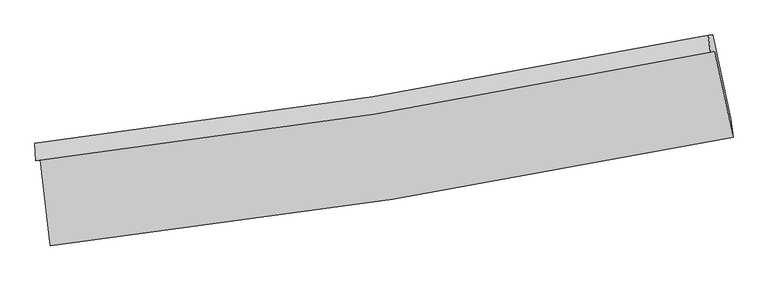
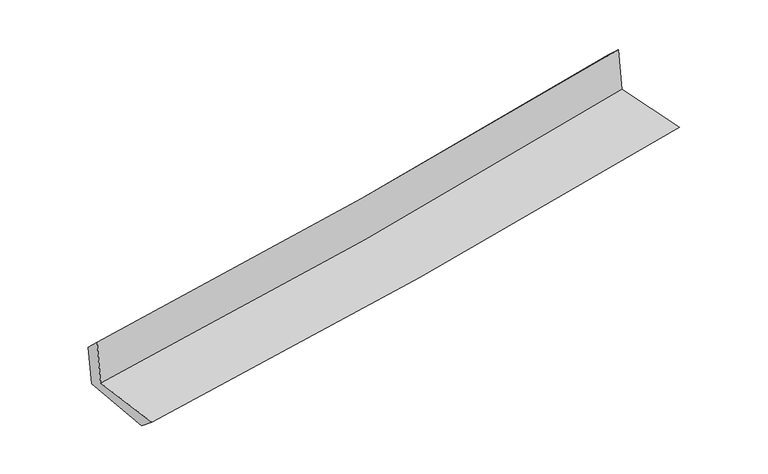
"""IFC4 building model written with IfcOpenShell, lengths in millimetres: proxy geometry."""

from ifc_helpers import new_model, si_unit, frame, origin, place, context, project, spatial, source, transform, mapped, element, save
from ifc_brep_helpers import plane_surface, spline_curve, spline_surface, advanced_brep


def generic_models_7bd04662(model_context):
    return source(origin(), model_context, "Body", "AdvancedBrep", [
        advanced_brep(
        [(-2613.114678, -1891.4515656, 1649.0129002), (-2534.061626, -2549.7660637, 1648.8094175), (2694.5984765, -1720.7812025, 2120.3850422), (2555.5065599, -1062.3193144, 2128.6990467), (-2647.898405, -1898.9090207, 2051.9463932), (2521.1889892, -1069.5337492, 2521.1804435), (-2652.5750527, -1765.8179116, 1924.3116979), (2504.5617176, -938.3141687, 2401.3548682), (-2620.9855894, -1764.0954039, 1565.2275597), (2539.1792516, -936.3324764, 2017.6288288), (-2540.6267083, -2406.8136577, 1529.1310698), (2677.218997, -1579.6754797, 1986.0497942)],
        [
            (0, 1),
            (1, 2, spline_curve(3, [(-2534.061626, -2549.7660637, 1648.8094175), (-1657.005313337, -2450.402092705, 1732.999251876), (-782.956956975, -2331.679218951, 1814.375150896), (959.935350959, -2055.387020328, 1971.572271518), (1828.77369567, -1897.781607212, 2047.388247313), (2694.5984765, -1720.7812025, 2120.3850422)], [4, 2, 4], [0.0, 8.6693824833574, 17.34684183667436])),
            (2, 3),
            (3, 0, spline_curve(3, [(2555.5065599, -1062.3193144, 2128.6990467), (1699.60304896, -1238.852195536, 2049.889247824), (840.730928556, -1396.236249653, 1970.491617221), (-882.148341251, -1672.578036537, 1810.595141241), (-1746.149966663, -1791.571399343, 1730.097389801), (-2613.114678, -1891.4515656, 1649.0129002)], [4, 2, 4], [0.0, 8.677459353316962, 17.34684183667436])),
            (4, 0),
            (3, 5),
            (5, 4, spline_curve(3, [(2521.1889892, -1069.5337492, 2521.1804435), (1664.635685982, -1246.267072702, 2450.721725736), (805.399938105, -1403.77157212, 2376.369510728), (-917.634184698, -1680.194216622, 2219.950916197), (-1781.427568092, -1799.148141217, 2137.891780959), (-2647.898405, -1898.9090207, 2051.9463932)], [4, 2, 4], [0.0, 8.629262343675862, 17.25049267856217])),
            (6, 4),
            (5, 7),
            (7, 6, spline_curve(3, [(2504.5617176, -938.3141687, 2401.3548682), (1650.253251016, -1114.559030676, 2325.292800928), (793.136211589, -1271.663306894, 2247.488849218), (-925.914604252, -1547.46227304, 2088.471218045), (-1787.843155312, -1666.192577519, 2007.260779476), (-2652.5750527, -1765.8179116, 1924.3116979)], [4, 2, 4], [0.0, 8.619606964962731, 17.2311909082409])),
            (8, 6),
            (7, 9),
            (9, 8, spline_curve(3, [(2539.1792516, -936.3324764, 2017.6288288), (1683.904862566, -1112.652450222, 1950.843757547), (826.05251252, -1269.815883524, 1879.731548864), (-894.007231215, -1545.701214796, 1728.923074131), (-1756.209828189, -1664.458757153, 1649.234859832), (-2620.9855894, -1764.0954039, 1565.2275597)], [4, 2, 4], [0.0, 8.610963400353947, 17.213911824344493])),
            (10, 8),
            (9, 11),
            (11, 10, spline_curve(3, [(2677.218997, -1579.6754797, 1986.0497942), (1812.780619889, -1756.237927629, 1918.539347715), (945.537193346, -1913.470430918, 1846.687814863), (-793.749927774, -2189.147189517, 1694.373495868), (-1665.788403211, -2307.627412317, 1613.918787262), (-2540.6267083, -2406.8136577, 1529.1310698)], [4, 2, 4], [0.0, 8.658550033479845, 17.309040797557056])),
            (1, 10),
            (11, 2),
        ],
        [
            spline_surface(3, 3, [[(-2613.114678, -1891.4515656, 1649.0129002), (-1746.149966635, -1791.571399322, 1730.097389819), (-882.148341189, -1672.578036446, 1810.595141257), (840.730928494, -1396.236249744, 1970.491617205), (1699.603049016, -1238.852195593, 2049.889247939), (2555.5065599, -1062.3193144, 2128.6990467)], [(-2586.763660658, -2110.889731628, 1648.945072643), (-1716.435082182, -2011.181630492, 1731.064677158), (-849.084546495, -1892.278430601, 1811.8551445), (880.465736021, -1615.953173247, 1970.85183532), (1742.659931253, -1458.495332781, 2049.05558106), (2601.870532095, -1281.806610435, 2125.927711871)], [(-2560.412643342, -2330.327897672, 1648.877245057), (-1686.720197755, -2230.791861678, 1732.031964468), (-816.020751793, -2111.978824813, 1813.115147681), (920.200543556, -1835.670096809, 1971.212053374), (1785.716813505, -1678.138469964, 2048.221914168), (2648.234504305, -1501.293906465, 2123.156377029)], [(-2534.061626, -2549.7660637, 1648.8094175), (-1657.005313302, -2450.402092848, 1732.999251808), (-782.956957099, -2331.679218967, 1814.375150924), (959.935351084, -2055.387020312, 1971.57227149), (1828.773695743, -1897.781607152, 2047.388247289), (2694.5984765, -1720.7812025, 2120.3850422)]], [4, 4], [4, 2, 4], [0.0, 2.191982146084679], [0.0, 8.6693824833574, 17.34684183667436]),
            spline_surface(3, 3, [[(-2647.898405, -1898.9090207, 2051.9463932), (-1781.427568035, -1799.14814126, 2137.891780983), (-917.634184622, -1680.194216673, 2219.950916083), (805.399938028, -1403.771572069, 2376.369510841), (1664.63568601, -1246.267072836, 2450.721725852), (2521.1889892, -1069.5337492, 2521.1804435)], [(-2636.303829327, -1896.423202344, 1917.635228844), (-1769.668367562, -1796.622560624, 2001.960317239), (-905.805570155, -1677.655489918, 2083.498991133), (817.176934839, -1401.259797948, 2241.076879621), (1676.291473682, -1243.795447084, 2317.110899862), (2532.628179436, -1067.128937596, 2390.353311214)], [(-2624.709253673, -1893.937383956, 1783.324064556), (-1757.909167108, -1794.096979958, 1866.028853562), (-893.976955656, -1675.116763201, 1947.047066207), (828.953931683, -1398.748023865, 2105.784248425), (1687.947261344, -1241.323821345, 2183.500073929), (2544.067369664, -1064.724126004, 2259.526178986)], [(-2613.114678, -1891.4515656, 1649.0129002), (-1746.149966635, -1791.571399322, 1730.097389819), (-882.148341189, -1672.578036446, 1810.595141257), (840.730928494, -1396.236249744, 1970.491617205), (1699.603049016, -1238.852195593, 2049.889247939), (2555.5065599, -1062.3193144, 2128.6990467)]], [4, 4], [4, 2, 4], [0.0, 1.3425864867438138], [0.0, 8.62123033488631, 17.25049267856217]),
            spline_surface(3, 3, [[(-2652.5750527, -1765.8179116, 1924.3116979), (-1787.843155204, -1666.192577655, 2007.260779441), (-925.914604345, -1547.462272934, 2088.471218024), (793.136211682, -1271.663306999, 2247.488849239), (1650.253250939, -1114.55903079, 2325.292800803), (2504.5617176, -938.3141687, 2401.3548682)], [(-2651.016170164, -1810.181614634, 1966.856596329), (-1785.704626179, -1710.511098858, 2050.804446617), (-923.154464411, -1591.706254198, 2132.297784047), (797.22412049, -1315.699395374, 2290.449069777), (1655.047395943, -1158.461711485, 2367.102442499), (2510.104141447, -982.05402888, 2441.296726646)], [(-2649.457287536, -1854.545317666, 2009.401494771), (-1783.566097061, -1754.829620057, 2094.348113806), (-920.394324556, -1635.950235409, 2176.12435006), (801.31202922, -1359.735483695, 2333.409290303), (1659.841541006, -1202.36439214, 2408.912084156), (2515.646565353, -1025.79388902, 2481.238585054)], [(-2647.898405, -1898.9090207, 2051.9463932), (-1781.427568035, -1799.14814126, 2137.891780983), (-917.634184622, -1680.194216673, 2219.950916083), (805.399938028, -1403.771572069, 2376.369510841), (1664.63568601, -1246.267072836, 2450.721725852), (2521.1889892, -1069.5337492, 2521.1804435)]], [4, 4], [4, 2, 4], [0.0, 0.6101579385363283], [0.0, 8.61158394327817, 17.2311909082409]),
            spline_surface(3, 3, [[(-2620.9855894, -1764.0954039, 1565.2275597), (-1756.209828288, -1664.458757102, 1649.234859963), (-894.007231265, -1545.7012147, 1728.923074201), (826.052512569, -1269.815883621, 1879.731548793), (1683.904862546, -1112.652450155, 1950.843757553), (2539.1792516, -936.3324764, 2017.6288288)], [(-2631.515410473, -1764.669573145, 1684.922272458), (-1766.754270566, -1665.036697298, 1768.576833146), (-904.643022315, -1546.288234116, 1848.77245546), (815.080412249, -1270.431691418, 2002.317315594), (1672.687658696, -1113.28797701, 2075.660105286), (2527.640073619, -936.993040477, 2145.537508583)], [(-2642.045231627, -1765.243742355, 1804.616985142), (-1777.298712926, -1665.614637459, 1887.918806257), (-915.278813294, -1546.875253518, 1968.621836764), (804.108312002, -1271.047499201, 2124.903082439), (1661.470454789, -1113.923503935, 2200.47645307), (2516.100895581, -937.653604623, 2273.446188417)], [(-2652.5750527, -1765.8179116, 1924.3116979), (-1787.843155204, -1666.192577655, 2007.260779441), (-925.914604345, -1547.462272934, 2088.471218024), (793.136211682, -1271.663306999, 2247.488849239), (1650.253250939, -1114.55903079, 2325.292800803), (2504.5617176, -938.3141687, 2401.3548682)]], [4, 4], [4, 2, 4], [0.0, 1.1978431220401182], [0.0, 8.602948423990545, 17.213911824344493]),
            spline_surface(3, 3, [[(-2540.6267083, -2406.8136577, 1529.1310698), (-1665.788403087, -2307.62741239, 1613.918787191), (-793.749927794, -2189.147189513, 1694.373495874), (945.537193365, -1913.470430921, 1846.687814857), (1812.780619812, -1756.237927765, 1918.5393476), (2677.218997, -1579.6754797, 1986.0497942)], [(-2567.413002004, -2192.574239767, 1541.163233099), (-1695.928878158, -2093.237860627, 1625.690811447), (-827.169028953, -1974.665197887, 1705.890022004), (905.708966431, -1698.918915133, 1857.702392857), (1769.822034039, -1541.709435229, 1929.307484247), (2631.205748516, -1365.227811934, 1996.576139063)], [(-2594.199295696, -1978.334821833, 1553.195396401), (-1726.069353217, -1878.848308865, 1637.462835707), (-860.588130105, -1760.183206325, 1717.40654807), (865.880739504, -1484.367399409, 1868.716970793), (1726.863448318, -1327.180942692, 1940.075620906), (2585.192500084, -1150.780144166, 2007.102483937)], [(-2620.9855894, -1764.0954039, 1565.2275597), (-1756.209828288, -1664.458757102, 1649.234859963), (-894.007231265, -1545.7012147, 1728.923074201), (826.052512569, -1269.815883621, 1879.731548793), (1683.904862546, -1112.652450155, 1950.843757553), (2539.1792516, -936.3324764, 2017.6288288)]], [4, 4], [4, 2, 4], [0.0, 2.1448083551813104], [0.0, 8.650490764077212, 17.309040797557056]),
            spline_surface(3, 3, [[(-2534.061626, -2549.7660637, 1648.8094175), (-1657.005313302, -2450.402092848, 1732.999251808), (-782.956957099, -2331.679218967, 1814.375150924), (959.935351084, -2055.387020312, 1971.57227149), (1828.773695743, -1897.781607152, 2047.388247289), (2694.5984765, -1720.7812025, 2120.3850422)], [(-2536.249986774, -2502.115261682, 1608.916634927), (-1659.933009904, -2402.810532677, 1693.305763596), (-786.554613983, -2284.168542512, 1774.374599218), (955.135965192, -2008.081490545, 1929.944119256), (1823.442670453, -1850.600380702, 2004.438614082), (2688.805316687, -1673.745961578, 2075.606626222)], [(-2538.438347526, -2454.464459718, 1569.023852373), (-1662.860706485, -2355.21897256, 1653.612275403), (-790.15227091, -2236.657865967, 1734.37404758), (950.336579257, -1960.775960688, 1888.315967091), (1818.111645101, -1803.419154216, 1961.488980807), (2683.012156813, -1626.710720622, 2030.828210178)], [(-2540.6267083, -2406.8136577, 1529.1310698), (-1665.788403087, -2307.62741239, 1613.918787191), (-793.749927794, -2189.147189513, 1694.373495874), (945.537193365, -1913.470430921, 1846.687814857), (1812.780619812, -1756.237927765, 1918.5393476), (2677.218997, -1579.6754797, 1986.0497942)]], [4, 4], [4, 2, 4], [0.0, 0.6171051590020189], [0.0, 8.707242490320777, 17.422597123050277]),
            plane_surface(frame((2582.0423319, -1217.8260652, 2195.8830039), z_axis=(0.974753708120569, 0.20478096898656634, 0.08899417534942061), x_axis=(-0.08984811896444084, -0.005143385415804836, 0.9959421976726441))),
            plane_surface(frame((-2601.5436766, -2046.1422705, 1728.0731731), z_axis=(-0.989055149657671, -0.11874264900099044, -0.08757907423505656), x_axis=(-0.11922745207081765, 0.9928669198287479, 0.00030689163502357604))),
        ],
        [
            (0, [[1, 2, 3, 4]]),
            (1, [[5, -4, 6, 7]]),
            (2, [[8, -7, 9, 10]]),
            (3, [[11, -10, 12, 13]]),
            (4, [[14, -13, 15, 16]]),
            (5, [[17, -16, 18, -2]]),
            (6, [[-12, -9, -6, -3, -18, -15]]),
            (7, [[-1, -5, -8, -11, -14, -17]]),
        ],
    ),
    ])


if __name__ == "__main__":
    model = new_model("IFC4")
    model_context = context("Model", 3, world=origin())
    ifc_project = project(units=[si_unit("LENGTHUNIT", "METRE", prefix="MILLI")], contexts=[model_context])
    site = spatial("IfcSite", under=ifc_project)
    building = spatial("IfcBuilding", under=site)
    placement = place(None, origin())
    generic_models_shape = generic_models_7bd04662(model_context)
    element("IfcBuildingElementProxy", 1, Name="Generic Models", at=placement, inside=building, context=model_context, shape_type="MappedRepresentation", body=[
        mapped(generic_models_shape, transform((0.0, 0.0, 0.0), x_axis=(1.0, 0.0, 0.0), y_axis=(0.0, 1.0, 0.0), z_axis=(0.0, 0.0, 1.0))),
    ])
    save(model, "model.ifc")
